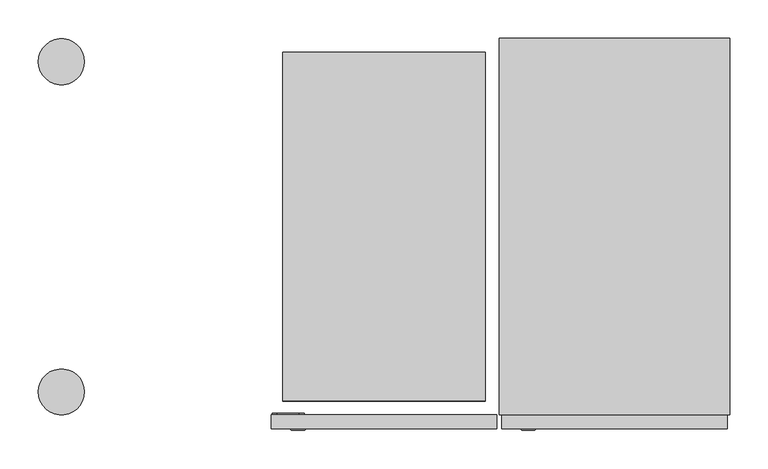
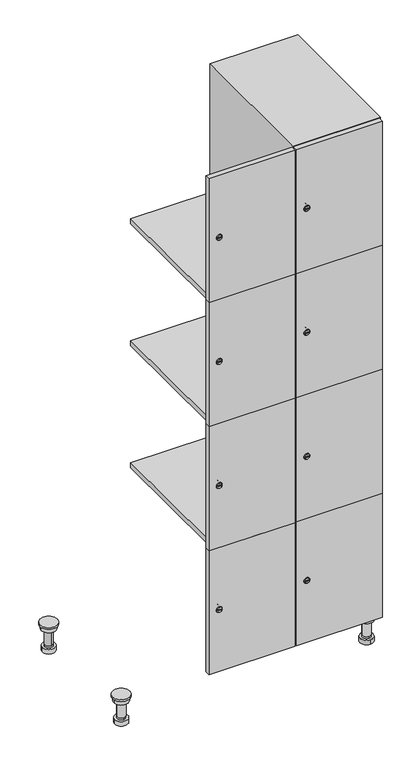
"""IFC4 building model written with IfcOpenShell, lengths in millimetres: furniture geometry."""

from ifc_helpers import new_model, si_unit, point, frame, frame_2d, origin, place, context, project, spatial, polyline, circle_curve, trimmed, segment, composite_curve, outline, extrude, faceted_brep, source, transform, mapped, element, save
from ifc_brep_helpers import plane_surface, cylinder_surface, revolved_surface, advanced_brep


def furniture_ed29f82f(model_context):
    return source(origin(), model_context, "Body", "SolidModel", [
        advanced_brep(
        [(670.0, -201.0, 22.0), (670.0, -201.5, 16.0), (670.0, -228.5, 16.0), (670.0, -229.0, 22.0), (656.0, -215.0, 22.0), (684.0, -215.0, 22.0), (670.0, -192.5, 16.0), (670.0, -237.5, 16.0), (670.0, -192.5, 0.0), (670.0, -237.5, 0.0), (684.0, -215.0, 78.0), (656.0, -215.0, 78.0), (695.0, -215.0, 78.0), (645.0, -215.0, 78.0), (700.0, -215.0, 94.0), (640.0, -215.0, 94.0), (645.0, -215.0, 94.0), (695.0, -215.0, 94.0), (700.0, -215.0, 100.0), (640.0, -215.0, 100.0)],
        [
            (0, 1),
            (1, 2, circle_curve(frame((670.0, -215.0, 16.0), z_axis=(0.0, 0.0, 1.0), x_axis=(0.0, -1.0, 0.0)), 13.5)),
            (2, 3),
            (3, 4, circle_curve(frame((670.0, -215.0, 22.0), z_axis=(0.0, 0.0, -1.0), x_axis=(0.0, -1.0, 0.0)), 14.0)),
            (4, 0, circle_curve(frame((670.0, -215.0, 22.0), z_axis=(0.0, 0.0, -1.0), x_axis=(0.0, -1.0, 0.0)), 14.0)),
            (0, 5, circle_curve(frame((670.0, -215.0, 22.0), z_axis=(0.0, 0.0, -1.0), x_axis=(0.0, 1.0, 0.0)), 14.0)),
            (5, 3, circle_curve(frame((670.0, -215.0, 22.0), z_axis=(0.0, 0.0, -1.0), x_axis=(0.0, 1.0, 0.0)), 14.0)),
            (2, 1, circle_curve(frame((670.0, -215.0, 16.0), z_axis=(0.0, 0.0, 1.0), x_axis=(0.0, 1.0, 0.0)), 13.5)),
            (6, 7, circle_curve(frame((670.0, -215.0, 16.0), z_axis=(0.0, 0.0, 1.0), x_axis=(0.0, -1.0, 0.0)), 22.5)),
            (7, 6, circle_curve(frame((670.0, -215.0, 16.0), z_axis=(0.0, 0.0, 1.0), x_axis=(0.0, -1.0, 0.0)), 22.5)),
            (8, 9, circle_curve(frame((670.0, -215.0, 0.0), z_axis=(0.0, 0.0, -1.0), x_axis=(0.0, -1.0, 0.0)), 22.5)),
            (9, 8, circle_curve(frame((670.0, -215.0, 0.0), z_axis=(0.0, 0.0, -1.0), x_axis=(0.0, -1.0, 0.0)), 22.5)),
            (6, 8),
            (9, 7),
            (5, 10),
            (10, 11, circle_curve(frame((670.0, -215.0, 78.0), z_axis=(0.0, 0.0, -1.0), x_axis=(-1.0, 0.0, 0.0)), 14.0)),
            (11, 4),
            (11, 10, circle_curve(frame((670.0, -215.0, 78.0), z_axis=(0.0, 0.0, -1.0), x_axis=(-1.0, 0.0, 0.0)), 14.0)),
            (12, 13, circle_curve(frame((670.0, -215.0, 78.0), z_axis=(0.0, 0.0, -1.0), x_axis=(-1.0, 0.0, 0.0)), 25.0)),
            (13, 12, circle_curve(frame((670.0, -215.0, 78.0), z_axis=(0.0, 0.0, -1.0), x_axis=(-1.0, 0.0, 0.0)), 25.0)),
            (14, 15, circle_curve(frame((670.0, -215.0, 94.0), z_axis=(0.0, 0.0, -1.0), x_axis=(-1.0, 0.0, 0.0)), 30.0)),
            (15, 14, circle_curve(frame((670.0, -215.0, 94.0), z_axis=(0.0, 0.0, -1.0), x_axis=(-1.0, 0.0, 0.0)), 30.0)),
            (16, 17, circle_curve(frame((670.0, -215.0, 94.0), z_axis=(0.0, 0.0, 1.0), x_axis=(-1.0, 0.0, 0.0)), 25.0)),
            (17, 16, circle_curve(frame((670.0, -215.0, 94.0), z_axis=(0.0, 0.0, 1.0), x_axis=(-1.0, 0.0, 0.0)), 25.0)),
            (18, 19, circle_curve(frame((670.0, -215.0, 100.0), z_axis=(0.0, 0.0, 1.0), x_axis=(-1.0, 0.0, 0.0)), 30.0)),
            (19, 18, circle_curve(frame((670.0, -215.0, 100.0), z_axis=(0.0, 0.0, 1.0), x_axis=(-1.0, 0.0, 0.0)), 30.0)),
            (14, 18),
            (19, 15),
            (12, 17),
            (16, 13),
        ],
        [
            revolved_surface(polyline([(670.0, -201.5, 16.0), (670.0, -201.0, 22.0)]), (670.0, -215.0, -146.0), (0.0, 0.0, 1.0)),
            plane_surface(frame((670.0, 0.0, 16.0), z_axis=(0.0, 0.0, 1.0), x_axis=(0.0, -1.0, 0.0))),
            plane_surface(frame((670.0, 0.0, 0.0), z_axis=(0.0, 0.0, -1.0), x_axis=(0.0, -1.0, 0.0))),
            cylinder_surface(frame((670.0, -215.0, 16.0), z_axis=(0.0, 0.0, 1.0), x_axis=(0.0, -1.0, 0.0)), 22.5),
            cylinder_surface(frame((670.0, -215.0, 22.0), z_axis=(0.0, 0.0, -1.0), x_axis=(-1.0, 0.0, 0.0)), 14.0),
            plane_surface(frame((670.0, 0.0, 78.0), z_axis=(0.0, 0.0, -1.0), x_axis=(0.0, -1.0, 0.0))),
            plane_surface(frame((670.0, 0.0, 94.0), z_axis=(0.0, 0.0, -1.0), x_axis=(0.0, -1.0, 0.0))),
            plane_surface(frame((670.0, 0.0, 100.0), z_axis=(0.0, 0.0, 1.0), x_axis=(0.0, -1.0, 0.0))),
            cylinder_surface(frame((670.0, -215.0, 94.0), z_axis=(0.0, 0.0, -1.0), x_axis=(-1.0, 0.0, 0.0)), 30.0),
            cylinder_surface(frame((670.0, -215.0, 78.0), z_axis=(0.0, 0.0, -1.0), x_axis=(-1.0, 0.0, 0.0)), 25.0),
        ],
        [
            (0, [[1, 2, 3, 4, 5]]),
            (0, [[-1, 6, 7, -3, 8]]),
            (1, [[9, 10], [-2, -8]]),
            (2, [[11, 12]]),
            (3, [[-9, 13, -12, 14]]),
            (3, [[-10, -14, -11, -13]]),
            (4, [[15, 16, 17, -4, -7]]),
            (4, [[-15, -6, -5, -17, 18]]),
            (5, [[19, 20], [-16, -18]]),
            (6, [[21, 22], [23, 24]]),
            (7, [[25, 26]]),
            (8, [[-21, 27, -26, 28]]),
            (8, [[-22, -28, -25, -27]]),
            (9, [[-19, 29, -23, 30]]),
            (9, [[-20, -30, -24, -29]]),
        ],
    ),
        advanced_brep(
        [(-170.0, -201.0, 22.0), (-170.0, -201.5, 16.0), (-170.0, -228.5, 16.0), (-170.0, -229.0, 22.0), (-184.0, -215.0, 22.0), (-156.0, -215.0, 22.0), (-147.5, -215.0, 0.0), (-192.5, -215.0, 0.0), (-147.5, -215.0, 16.0), (-192.5, -215.0, 16.0), (-156.0, -215.0, 78.0), (-184.0, -215.0, 78.0), (-145.0, -215.0, 78.0), (-195.0, -215.0, 78.0), (-140.0, -215.0, 94.0), (-200.0, -215.0, 94.0), (-195.0, -215.0, 94.0), (-145.0, -215.0, 94.0), (-140.0, -215.0, 100.0), (-200.0, -215.0, 100.0)],
        [
            (0, 1),
            (1, 2, circle_curve(frame((-170.0, -215.0, 16.0), z_axis=(0.0, 0.0, 1.0), x_axis=(0.0, -1.0, 0.0)), 13.5)),
            (2, 3),
            (3, 4, circle_curve(frame((-170.0, -215.0, 22.0), z_axis=(0.0, 0.0, -1.0), x_axis=(0.0, -1.0, 0.0)), 14.0)),
            (4, 0, circle_curve(frame((-170.0, -215.0, 22.0), z_axis=(0.0, 0.0, -1.0), x_axis=(0.0, -1.0, 0.0)), 14.0)),
            (0, 5, circle_curve(frame((-170.0, -215.0, 22.0), z_axis=(0.0, 0.0, -1.0), x_axis=(0.0, 1.0, 0.0)), 14.0)),
            (5, 3, circle_curve(frame((-170.0, -215.0, 22.0), z_axis=(0.0, 0.0, -1.0), x_axis=(0.0, 1.0, 0.0)), 14.0)),
            (2, 1, circle_curve(frame((-170.0, -215.0, 16.0), z_axis=(0.0, 0.0, 1.0), x_axis=(0.0, 1.0, 0.0)), 13.5)),
            (6, 7, circle_curve(frame((-170.0, -215.0, 0.0), z_axis=(0.0, 0.0, -1.0), x_axis=(-1.0, 0.0, 0.0)), 22.5)),
            (7, 6, circle_curve(frame((-170.0, -215.0, 0.0), z_axis=(0.0, 0.0, -1.0), x_axis=(-1.0, 0.0, 0.0)), 22.5)),
            (8, 9, circle_curve(frame((-170.0, -215.0, 16.0), z_axis=(0.0, 0.0, 1.0), x_axis=(-1.0, 0.0, 0.0)), 22.5)),
            (9, 8, circle_curve(frame((-170.0, -215.0, 16.0), z_axis=(0.0, 0.0, 1.0), x_axis=(-1.0, 0.0, 0.0)), 22.5)),
            (6, 8),
            (9, 7),
            (5, 10),
            (10, 11, circle_curve(frame((-170.0, -215.0, 78.0), z_axis=(0.0, 0.0, -1.0), x_axis=(-1.0, 0.0, 0.0)), 14.0)),
            (11, 4),
            (11, 10, circle_curve(frame((-170.0, -215.0, 78.0), z_axis=(0.0, 0.0, -1.0), x_axis=(-1.0, 0.0, 0.0)), 14.0)),
            (12, 13, circle_curve(frame((-170.0, -215.0, 78.0), z_axis=(0.0, 0.0, -1.0), x_axis=(-1.0, 0.0, 0.0)), 25.0)),
            (13, 12, circle_curve(frame((-170.0, -215.0, 78.0), z_axis=(0.0, 0.0, -1.0), x_axis=(-1.0, 0.0, 0.0)), 25.0)),
            (14, 15, circle_curve(frame((-170.0, -215.0, 94.0), z_axis=(0.0, 0.0, -1.0), x_axis=(-1.0, 0.0, 0.0)), 30.0)),
            (15, 14, circle_curve(frame((-170.0, -215.0, 94.0), z_axis=(0.0, 0.0, -1.0), x_axis=(-1.0, 0.0, 0.0)), 30.0)),
            (16, 17, circle_curve(frame((-170.0, -215.0, 94.0), z_axis=(0.0, 0.0, 1.0), x_axis=(-1.0, 0.0, 0.0)), 25.0)),
            (17, 16, circle_curve(frame((-170.0, -215.0, 94.0), z_axis=(0.0, 0.0, 1.0), x_axis=(-1.0, 0.0, 0.0)), 25.0)),
            (18, 19, circle_curve(frame((-170.0, -215.0, 100.0), z_axis=(0.0, 0.0, 1.0), x_axis=(-1.0, 0.0, 0.0)), 30.0)),
            (19, 18, circle_curve(frame((-170.0, -215.0, 100.0), z_axis=(0.0, 0.0, 1.0), x_axis=(-1.0, 0.0, 0.0)), 30.0)),
            (14, 18),
            (19, 15),
            (12, 17),
            (16, 13),
        ],
        [
            revolved_surface(polyline([(-170.0, -201.5, 16.0), (-170.0, -201.0, 22.0)]), (-170.0, -215.0, -146.0), (0.0, 0.0, 1.0)),
            plane_surface(frame((-170.0, 0.0, 0.0), z_axis=(0.0, 0.0, -1.0), x_axis=(0.0, -1.0, 0.0))),
            plane_surface(frame((-170.0, 0.0, 16.0), z_axis=(0.0, 0.0, 1.0), x_axis=(0.0, -1.0, 0.0))),
            cylinder_surface(frame((-170.0, -215.0, 0.0), z_axis=(0.0, 0.0, -1.0), x_axis=(-1.0, 0.0, 0.0)), 22.5),
            cylinder_surface(frame((-170.0, -215.0, 22.0), z_axis=(0.0, 0.0, -1.0), x_axis=(-1.0, 0.0, 0.0)), 14.0),
            plane_surface(frame((-170.0, 0.0, 78.0), z_axis=(0.0, 0.0, -1.0), x_axis=(0.0, -1.0, 0.0))),
            plane_surface(frame((-170.0, 0.0, 94.0), z_axis=(0.0, 0.0, -1.0), x_axis=(0.0, -1.0, 0.0))),
            plane_surface(frame((-170.0, 0.0, 100.0), z_axis=(0.0, 0.0, 1.0), x_axis=(0.0, -1.0, 0.0))),
            cylinder_surface(frame((-170.0, -215.0, 94.0), z_axis=(0.0, 0.0, -1.0), x_axis=(-1.0, 0.0, 0.0)), 30.0),
            cylinder_surface(frame((-170.0, -215.0, 78.0), z_axis=(0.0, 0.0, -1.0), x_axis=(-1.0, 0.0, 0.0)), 25.0),
        ],
        [
            (0, [[1, 2, 3, 4, 5]]),
            (0, [[-1, 6, 7, -3, 8]]),
            (1, [[9, 10]]),
            (2, [[11, 12], [-2, -8]]),
            (3, [[-9, 13, -12, 14]]),
            (3, [[-10, -14, -11, -13]]),
            (4, [[15, 16, 17, -4, -7]]),
            (4, [[-15, -6, -5, -17, 18]]),
            (5, [[19, 20], [-16, -18]]),
            (6, [[21, 22], [23, 24]]),
            (7, [[25, 26]]),
            (8, [[-21, 27, -26, 28]]),
            (8, [[-22, -28, -25, -27]]),
            (9, [[-19, 29, -23, 30]]),
            (9, [[-20, -30, -24, -29]]),
        ],
    ),
        advanced_brep(
        [(683.5, 215.0, 16.0), (684.0, 215.0, 22.0), (656.0, 215.0, 22.0), (656.5, 215.0, 16.0), (692.5, 215.0, 0.0), (647.5, 215.0, 0.0), (692.5, 215.0, 16.0), (647.5, 215.0, 16.0), (684.0, 215.0, 78.0), (656.0, 215.0, 78.0), (695.0, 215.0, 78.0), (645.0, 215.0, 78.0), (700.0, 215.0, 94.0), (640.0, 215.0, 94.0), (645.0, 215.0, 94.0), (695.0, 215.0, 94.0), (700.0, 215.0, 100.0), (640.0, 215.0, 100.0)],
        [
            (0, 1),
            (1, 2, circle_curve(frame((670.0, 215.0, 22.0), z_axis=(0.0, 0.0, -1.0), x_axis=(-1.0, 0.0, 0.0)), 14.0)),
            (2, 3),
            (3, 0, circle_curve(frame((670.0, 215.0, 16.0), z_axis=(0.0, 0.0, 1.0), x_axis=(-1.0, 0.0, 0.0)), 13.5)),
            (0, 3, circle_curve(frame((670.0, 215.0, 16.0), z_axis=(0.0, 0.0, 1.0), x_axis=(1.0, 0.0, 0.0)), 13.5)),
            (2, 1, circle_curve(frame((670.0, 215.0, 22.0), z_axis=(0.0, 0.0, -1.0), x_axis=(1.0, 0.0, 0.0)), 14.0)),
            (4, 5, circle_curve(frame((670.0, 215.0, 0.0), z_axis=(0.0, 0.0, -1.0), x_axis=(-1.0, 0.0, 0.0)), 22.5)),
            (5, 4, circle_curve(frame((670.0, 215.0, 0.0), z_axis=(0.0, 0.0, -1.0), x_axis=(-1.0, 0.0, 0.0)), 22.5)),
            (6, 7, circle_curve(frame((670.0, 215.0, 16.0), z_axis=(0.0, 0.0, 1.0), x_axis=(-1.0, 0.0, 0.0)), 22.5)),
            (7, 6, circle_curve(frame((670.0, 215.0, 16.0), z_axis=(0.0, 0.0, 1.0), x_axis=(-1.0, 0.0, 0.0)), 22.5)),
            (4, 6),
            (7, 5),
            (1, 8),
            (8, 9, circle_curve(frame((670.0, 215.0, 78.0), z_axis=(0.0, 0.0, -1.0), x_axis=(-1.0, 0.0, 0.0)), 14.0)),
            (9, 2),
            (9, 8, circle_curve(frame((670.0, 215.0, 78.0), z_axis=(0.0, 0.0, -1.0), x_axis=(-1.0, 0.0, 0.0)), 14.0)),
            (10, 11, circle_curve(frame((670.0, 215.0, 78.0), z_axis=(0.0, 0.0, -1.0), x_axis=(-1.0, 0.0, 0.0)), 25.0)),
            (11, 10, circle_curve(frame((670.0, 215.0, 78.0), z_axis=(0.0, 0.0, -1.0), x_axis=(-1.0, 0.0, 0.0)), 25.0)),
            (12, 13, circle_curve(frame((670.0, 215.0, 94.0), z_axis=(0.0, 0.0, -1.0), x_axis=(-1.0, 0.0, 0.0)), 30.0)),
            (13, 12, circle_curve(frame((670.0, 215.0, 94.0), z_axis=(0.0, 0.0, -1.0), x_axis=(-1.0, 0.0, 0.0)), 30.0)),
            (14, 15, circle_curve(frame((670.0, 215.0, 94.0), z_axis=(0.0, 0.0, 1.0), x_axis=(-1.0, 0.0, 0.0)), 25.0)),
            (15, 14, circle_curve(frame((670.0, 215.0, 94.0), z_axis=(0.0, 0.0, 1.0), x_axis=(-1.0, 0.0, 0.0)), 25.0)),
            (16, 17, circle_curve(frame((670.0, 215.0, 100.0), z_axis=(0.0, 0.0, 1.0), x_axis=(-1.0, 0.0, 0.0)), 30.0)),
            (17, 16, circle_curve(frame((670.0, 215.0, 100.0), z_axis=(0.0, 0.0, 1.0), x_axis=(-1.0, 0.0, 0.0)), 30.0)),
            (12, 16),
            (17, 13),
            (10, 15),
            (14, 11),
        ],
        [
            revolved_surface(polyline([(683.5, 215.0, 16.0), (684.0, 215.0, 22.0)]), (670.0, 215.0, -146.0), (0.0, 0.0, 1.0)),
            plane_surface(frame((670.0, 0.0, 0.0), z_axis=(0.0, 0.0, -1.0), x_axis=(0.0, -1.0, 0.0))),
            plane_surface(frame((670.0, 0.0, 16.0), z_axis=(0.0, 0.0, 1.0), x_axis=(0.0, -1.0, 0.0))),
            cylinder_surface(frame((670.0, 215.0, 0.0), z_axis=(0.0, 0.0, -1.0), x_axis=(-1.0, 0.0, 0.0)), 22.5),
            cylinder_surface(frame((670.0, 215.0, 22.0), z_axis=(0.0, 0.0, -1.0), x_axis=(-1.0, 0.0, 0.0)), 14.0),
            plane_surface(frame((670.0, 0.0, 78.0), z_axis=(0.0, 0.0, -1.0), x_axis=(0.0, -1.0, 0.0))),
            plane_surface(frame((670.0, 0.0, 94.0), z_axis=(0.0, 0.0, -1.0), x_axis=(0.0, -1.0, 0.0))),
            plane_surface(frame((670.0, 0.0, 100.0), z_axis=(0.0, 0.0, 1.0), x_axis=(0.0, -1.0, 0.0))),
            cylinder_surface(frame((670.0, 215.0, 94.0), z_axis=(0.0, 0.0, -1.0), x_axis=(-1.0, 0.0, 0.0)), 30.0),
            cylinder_surface(frame((670.0, 215.0, 78.0), z_axis=(0.0, 0.0, -1.0), x_axis=(-1.0, 0.0, 0.0)), 25.0),
        ],
        [
            (0, [[1, 2, 3, 4]]),
            (0, [[-1, 5, -3, 6]]),
            (1, [[7, 8]]),
            (2, [[9, 10], [-4, -5]]),
            (3, [[-7, 11, -10, 12]]),
            (3, [[-8, -12, -9, -11]]),
            (4, [[13, 14, 15, -2]]),
            (4, [[-13, -6, -15, 16]]),
            (5, [[17, 18], [-14, -16]]),
            (6, [[19, 20], [21, 22]]),
            (7, [[23, 24]]),
            (8, [[-19, 25, -24, 26]]),
            (8, [[-20, -26, -23, -25]]),
            (9, [[-17, 27, -21, 28]]),
            (9, [[-18, -28, -22, -27]]),
        ],
    ),
        advanced_brep(
        [(-156.5, 215.0, 16.0), (-156.0, 215.0, 22.0), (-170.0, 201.0, 22.0), (-184.0, 215.0, 22.0), (-183.5, 215.0, 16.0), (-170.0, 229.0, 22.0), (-147.5, 215.0, 0.0), (-192.5, 215.0, 0.0), (-147.5, 215.0, 16.0), (-192.5, 215.0, 16.0), (-170.0, 229.0, 78.0), (-170.0, 201.0, 78.0), (-145.0, 215.0, 78.0), (-195.0, 215.0, 78.0), (-140.0, 215.0, 94.0), (-200.0, 215.0, 94.0), (-195.0, 215.0, 94.0), (-145.0, 215.0, 94.0), (-140.0, 215.0, 100.0), (-200.0, 215.0, 100.0)],
        [
            (0, 1),
            (1, 2, circle_curve(frame((-170.0, 215.0, 22.0), z_axis=(0.0, 0.0, -1.0), x_axis=(-1.0, 0.0, 0.0)), 14.0)),
            (2, 3, circle_curve(frame((-170.0, 215.0, 22.0), z_axis=(0.0, 0.0, -1.0), x_axis=(-1.0, 0.0, 0.0)), 14.0)),
            (3, 4),
            (4, 0, circle_curve(frame((-170.0, 215.0, 16.0), z_axis=(0.0, 0.0, 1.0), x_axis=(-1.0, 0.0, 0.0)), 13.5)),
            (0, 4, circle_curve(frame((-170.0, 215.0, 16.0), z_axis=(0.0, 0.0, 1.0), x_axis=(1.0, 0.0, 0.0)), 13.5)),
            (3, 5, circle_curve(frame((-170.0, 215.0, 22.0), z_axis=(0.0, 0.0, -1.0), x_axis=(1.0, 0.0, 0.0)), 14.0)),
            (5, 1, circle_curve(frame((-170.0, 215.0, 22.0), z_axis=(0.0, 0.0, -1.0), x_axis=(1.0, 0.0, 0.0)), 14.0)),
            (6, 7, circle_curve(frame((-170.0, 215.0, 0.0), z_axis=(0.0, 0.0, -1.0), x_axis=(-1.0, 0.0, 0.0)), 22.5)),
            (7, 6, circle_curve(frame((-170.0, 215.0, 0.0), z_axis=(0.0, 0.0, -1.0), x_axis=(-1.0, 0.0, 0.0)), 22.5)),
            (8, 9, circle_curve(frame((-170.0, 215.0, 16.0), z_axis=(0.0, 0.0, 1.0), x_axis=(-1.0, 0.0, 0.0)), 22.5)),
            (9, 8, circle_curve(frame((-170.0, 215.0, 16.0), z_axis=(0.0, 0.0, 1.0), x_axis=(-1.0, 0.0, 0.0)), 22.5)),
            (6, 8),
            (9, 7),
            (10, 5),
            (2, 11),
            (11, 10, circle_curve(frame((-170.0, 215.0, 78.0), z_axis=(0.0, 0.0, -1.0), x_axis=(0.0, -1.0, 0.0)), 14.0)),
            (10, 11, circle_curve(frame((-170.0, 215.0, 78.0), z_axis=(0.0, 0.0, -1.0), x_axis=(0.0, -1.0, 0.0)), 14.0)),
            (12, 13, circle_curve(frame((-170.0, 215.0, 78.0), z_axis=(0.0, 0.0, -1.0), x_axis=(-1.0, 0.0, 0.0)), 25.0)),
            (13, 12, circle_curve(frame((-170.0, 215.0, 78.0), z_axis=(0.0, 0.0, -1.0), x_axis=(-1.0, 0.0, 0.0)), 25.0)),
            (14, 15, circle_curve(frame((-170.0, 215.0, 94.0), z_axis=(0.0, 0.0, -1.0), x_axis=(-1.0, 0.0, 0.0)), 30.0)),
            (15, 14, circle_curve(frame((-170.0, 215.0, 94.0), z_axis=(0.0, 0.0, -1.0), x_axis=(-1.0, 0.0, 0.0)), 30.0)),
            (16, 17, circle_curve(frame((-170.0, 215.0, 94.0), z_axis=(0.0, 0.0, 1.0), x_axis=(-1.0, 0.0, 0.0)), 25.0)),
            (17, 16, circle_curve(frame((-170.0, 215.0, 94.0), z_axis=(0.0, 0.0, 1.0), x_axis=(-1.0, 0.0, 0.0)), 25.0)),
            (18, 19, circle_curve(frame((-170.0, 215.0, 100.0), z_axis=(0.0, 0.0, 1.0), x_axis=(-1.0, 0.0, 0.0)), 30.0)),
            (19, 18, circle_curve(frame((-170.0, 215.0, 100.0), z_axis=(0.0, 0.0, 1.0), x_axis=(-1.0, 0.0, 0.0)), 30.0)),
            (14, 18),
            (19, 15),
            (12, 17),
            (16, 13),
        ],
        [
            revolved_surface(polyline([(-156.5, 215.0, 16.0), (-156.0, 215.0, 22.0)]), (-170.0, 215.0, -146.0), (0.0, 0.0, 1.0)),
            plane_surface(frame((-170.0, 0.0, 0.0), z_axis=(0.0, 0.0, -1.0), x_axis=(0.0, -1.0, 0.0))),
            plane_surface(frame((-170.0, 0.0, 16.0), z_axis=(0.0, 0.0, 1.0), x_axis=(0.0, -1.0, 0.0))),
            cylinder_surface(frame((-170.0, 215.0, 0.0), z_axis=(0.0, 0.0, -1.0), x_axis=(-1.0, 0.0, 0.0)), 22.5),
            cylinder_surface(frame((-170.0, 215.0, 78.0), z_axis=(0.0, 0.0, 1.0), x_axis=(0.0, -1.0, 0.0)), 14.0),
            plane_surface(frame((-170.0, 0.0, 78.0), z_axis=(0.0, 0.0, -1.0), x_axis=(0.0, -1.0, 0.0))),
            plane_surface(frame((-170.0, 0.0, 94.0), z_axis=(0.0, 0.0, -1.0), x_axis=(0.0, -1.0, 0.0))),
            plane_surface(frame((-170.0, 0.0, 100.0), z_axis=(0.0, 0.0, 1.0), x_axis=(0.0, -1.0, 0.0))),
            cylinder_surface(frame((-170.0, 215.0, 94.0), z_axis=(0.0, 0.0, -1.0), x_axis=(-1.0, 0.0, 0.0)), 30.0),
            cylinder_surface(frame((-170.0, 215.0, 78.0), z_axis=(0.0, 0.0, -1.0), x_axis=(-1.0, 0.0, 0.0)), 25.0),
        ],
        [
            (0, [[1, 2, 3, 4, 5]]),
            (0, [[-1, 6, -4, 7, 8]]),
            (1, [[9, 10]]),
            (2, [[11, 12], [-5, -6]]),
            (3, [[-9, 13, -12, 14]]),
            (3, [[-10, -14, -11, -13]]),
            (4, [[15, -7, -3, 16, 17]]),
            (4, [[-15, 18, -16, -2, -8]]),
            (5, [[19, 20], [-17, -18]]),
            (6, [[21, 22], [23, 24]]),
            (7, [[25, 26]]),
            (8, [[-21, 27, -26, 28]]),
            (8, [[-22, -28, -25, -27]]),
            (9, [[-19, 29, -23, 30]]),
            (9, [[-20, -30, -24, -29]]),
        ],
    ),
        extrude(outline(composite_curve([segment(trimmed(circle_curve(frame_2d((327.25, 411.2010534)), 7.0), [point((334.25, 411.2010534))], [point((320.25, 411.2010534))], False, "CARTESIAN"), True, "CONTINUOUS"), segment(polyline([(320.25, 411.2010534), (320.25, 439.2010534)]), True, "CONTINUOUS"), segment(trimmed(circle_curve(frame_2d((327.25, 439.2010534)), 7.0), [point((320.25, 439.2010534))], [point((334.25, 439.2010534))], False, "CARTESIAN"), True, "CONTINUOUS"), segment(polyline([(334.25, 439.2010534), (334.25, 411.2010534)]), True, "CONTINUOUS")], self_intersect=False)), frame((0.0, -245.0, 0.0), z_axis=(0.0, 1.0, 0.0), x_axis=(0.0, 0.0, 1.0)), (0.0, 0.0, 1.0), 2.0),
        advanced_brep(
        [(446.5, -265.2, 327.25), (429.5, -265.2, 327.25), (433.0, -265.2, 326.0), (433.0, -265.2, 328.5), (443.0, -265.2, 328.5), (443.0, -265.2, 326.0), (448.5, -263.0, 327.25), (427.5, -263.0, 327.25), (433.0, -263.0, 328.5), (433.0, -263.0, 326.0), (443.0, -263.0, 326.0), (443.0, -263.0, 328.5)],
        [
            (0, 1, circle_curve(frame((438.0, -265.2, 327.25), z_axis=(0.0, -1.0, 0.0), x_axis=(1.0, 0.0, 0.0)), 8.5)),
            (1, 0, circle_curve(frame((438.0, -265.2, 327.25), z_axis=(0.0, -1.0, 0.0), x_axis=(-1.0, 0.0, 0.0)), 8.5)),
            (2, 3),
            (3, 4),
            (4, 5),
            (5, 2),
            (6, 7, circle_curve(frame((438.0, -263.0, 327.25), z_axis=(0.0, 1.0, 0.0), x_axis=(-1.0, 0.0, 0.0)), 10.5)),
            (7, 6, circle_curve(frame((438.0, -263.0, 327.25), z_axis=(0.0, 1.0, 0.0), x_axis=(1.0, 0.0, 0.0)), 10.5)),
            (8, 9),
            (9, 10),
            (10, 11),
            (11, 8),
            (0, 6),
            (7, 1),
            (8, 3),
            (2, 9),
            (11, 4),
            (10, 5),
        ],
        [
            plane_surface(frame((438.0, -265.2, 327.25), z_axis=(0.0, -1.0, 0.0), x_axis=(0.0, 0.0, 1.0))),
            plane_surface(frame((438.0, -263.0, 327.25), z_axis=(0.0, 1.0, 0.0), x_axis=(0.0, 0.0, 1.0))),
            revolved_surface(polyline([(446.5, -265.2, 327.25), (448.5, -263.0, 327.25)]), (438.0, -274.55, 327.25), (0.0, 1.0, 0.0)),
            revolved_surface(polyline([(429.5, -265.2, 327.25), (427.5, -263.0, 327.25)]), (438.0, -274.55, 327.25), (0.0, 1.0, 0.0)),
            plane_surface(frame((433.0, -263.0, 326.0), z_axis=(1.0, 0.0, 0.0), x_axis=(0.0, -1.0, 0.0))),
            plane_surface(frame((433.0, -263.0, 328.5), z_axis=(0.0, 0.0, -1.0), x_axis=(0.0, -1.0, 0.0))),
            plane_surface(frame((443.0, -263.0, 328.5), z_axis=(-1.0, 0.0, 0.0), x_axis=(0.0, -1.0, 0.0))),
            plane_surface(frame((443.0, -263.0, 326.0), z_axis=(0.0, 0.0, 1.0), x_axis=(0.0, -1.0, 0.0))),
        ],
        [
            (0, [[1, 2], [3, 4, 5, 6]]),
            (1, [[7, 8], [9, 10, 11, 12]]),
            (2, [[-1, 13, -8, 14]]),
            (3, [[-2, -14, -7, -13]]),
            (4, [[15, -3, 16, -9]]),
            (5, [[-15, -12, 17, -4]]),
            (6, [[-17, -11, 18, -5]]),
            (7, [[-16, -6, -18, -10]]),
        ],
    ),
        extrude(outline(composite_curve([segment(trimmed(circle_curve(frame_2d((775.75, 411.2010534)), 7.0), [point((782.75, 411.2010534))], [point((768.75, 411.2010534))], False, "CARTESIAN"), True, "CONTINUOUS"), segment(polyline([(768.75, 411.2010534), (768.75, 439.2010534)]), True, "CONTINUOUS"), segment(trimmed(circle_curve(frame_2d((775.75, 439.2010534)), 7.0), [point((768.75, 439.2010534))], [point((782.75, 439.2010534))], False, "CARTESIAN"), True, "CONTINUOUS"), segment(polyline([(782.75, 439.2010534), (782.75, 411.2010534)]), True, "CONTINUOUS")], self_intersect=False)), frame((0.0, -245.0, 0.0), z_axis=(0.0, 1.0, 0.0), x_axis=(0.0, 0.0, 1.0)), (0.0, 0.0, 1.0), 2.0),
        advanced_brep(
        [(446.5, -265.2, 775.75), (429.5, -265.2, 775.75), (433.0, -265.2, 774.5), (433.0, -265.2, 777.0), (443.0, -265.2, 777.0), (443.0, -265.2, 774.5), (448.5, -263.0, 775.75), (427.5, -263.0, 775.75), (433.0, -263.0, 777.0), (433.0, -263.0, 774.5), (443.0, -263.0, 774.5), (443.0, -263.0, 777.0)],
        [
            (0, 1, circle_curve(frame((438.0, -265.2, 775.75), z_axis=(0.0, -1.0, 0.0), x_axis=(1.0, 0.0, 0.0)), 8.5)),
            (1, 0, circle_curve(frame((438.0, -265.2, 775.75), z_axis=(0.0, -1.0, 0.0), x_axis=(-1.0, 0.0, 0.0)), 8.5)),
            (2, 3),
            (3, 4),
            (4, 5),
            (5, 2),
            (6, 7, circle_curve(frame((438.0, -263.0, 775.75), z_axis=(0.0, 1.0, 0.0), x_axis=(-1.0, 0.0, 0.0)), 10.5)),
            (7, 6, circle_curve(frame((438.0, -263.0, 775.75), z_axis=(0.0, 1.0, 0.0), x_axis=(1.0, 0.0, 0.0)), 10.5)),
            (8, 9),
            (9, 10),
            (10, 11),
            (11, 8),
            (0, 6),
            (7, 1),
            (8, 3),
            (2, 9),
            (11, 4),
            (10, 5),
        ],
        [
            plane_surface(frame((438.0, -265.2, 775.75), z_axis=(0.0, -1.0, 0.0), x_axis=(0.0, 0.0, 1.0))),
            plane_surface(frame((438.0, -263.0, 775.75), z_axis=(0.0, 1.0, 0.0), x_axis=(0.0, 0.0, 1.0))),
            revolved_surface(polyline([(446.5, -265.2, 775.75), (448.5, -263.0, 775.75)]), (438.0, -274.55, 775.75), (0.0, 1.0, 0.0)),
            revolved_surface(polyline([(429.5, -265.2, 775.75), (427.5, -263.0, 775.75)]), (438.0, -274.55, 775.75), (0.0, 1.0, 0.0)),
            plane_surface(frame((433.0, -263.0, 774.5), z_axis=(1.0, 0.0, 0.0), x_axis=(0.0, -1.0, 0.0))),
            plane_surface(frame((433.0, -263.0, 777.0), z_axis=(0.0, 0.0, -1.0), x_axis=(0.0, -1.0, 0.0))),
            plane_surface(frame((443.0, -263.0, 777.0), z_axis=(-1.0, 0.0, 0.0), x_axis=(0.0, -1.0, 0.0))),
            plane_surface(frame((443.0, -263.0, 774.5), z_axis=(0.0, 0.0, 1.0), x_axis=(0.0, -1.0, 0.0))),
        ],
        [
            (0, [[1, 2], [3, 4, 5, 6]]),
            (1, [[7, 8], [9, 10, 11, 12]]),
            (2, [[-1, 13, -8, 14]]),
            (3, [[-2, -14, -7, -13]]),
            (4, [[15, -3, 16, -9]]),
            (5, [[-15, -12, 17, -4]]),
            (6, [[-17, -11, 18, -5]]),
            (7, [[-16, -6, -18, -10]]),
        ],
    ),
        extrude(outline(composite_curve([segment(trimmed(circle_curve(frame_2d((1224.25, 411.2010534)), 7.0), [point((1231.25, 411.2010534))], [point((1217.25, 411.2010534))], False, "CARTESIAN"), True, "CONTINUOUS"), segment(polyline([(1217.25, 411.2010534), (1217.25, 439.2010534)]), True, "CONTINUOUS"), segment(trimmed(circle_curve(frame_2d((1224.25, 439.2010534)), 7.0), [point((1217.25, 439.2010534))], [point((1231.25, 439.2010534))], False, "CARTESIAN"), True, "CONTINUOUS"), segment(polyline([(1231.25, 439.2010534), (1231.25, 411.2010534)]), True, "CONTINUOUS")], self_intersect=False)), frame((0.0, -245.0, 0.0), z_axis=(0.0, 1.0, 0.0), x_axis=(0.0, 0.0, 1.0)), (0.0, 0.0, 1.0), 2.0),
        advanced_brep(
        [(446.5, -265.2, 1224.25), (429.5, -265.2, 1224.25), (433.0, -265.2, 1223.0), (433.0, -265.2, 1225.5), (443.0, -265.2, 1225.5), (443.0, -265.2, 1223.0), (448.5, -263.0, 1224.25), (427.5, -263.0, 1224.25), (433.0, -263.0, 1225.5), (433.0, -263.0, 1223.0), (443.0, -263.0, 1223.0), (443.0, -263.0, 1225.5)],
        [
            (0, 1, circle_curve(frame((438.0, -265.2, 1224.25), z_axis=(0.0, -1.0, 0.0), x_axis=(1.0, 0.0, 0.0)), 8.5)),
            (1, 0, circle_curve(frame((438.0, -265.2, 1224.25), z_axis=(0.0, -1.0, 0.0), x_axis=(-1.0, 0.0, 0.0)), 8.5)),
            (2, 3),
            (3, 4),
            (4, 5),
            (5, 2),
            (6, 7, circle_curve(frame((438.0, -263.0, 1224.25), z_axis=(0.0, 1.0, 0.0), x_axis=(-1.0, 0.0, 0.0)), 10.5)),
            (7, 6, circle_curve(frame((438.0, -263.0, 1224.25), z_axis=(0.0, 1.0, 0.0), x_axis=(1.0, 0.0, 0.0)), 10.5)),
            (8, 9),
            (9, 10),
            (10, 11),
            (11, 8),
            (0, 6),
            (7, 1),
            (8, 3),
            (2, 9),
            (11, 4),
            (10, 5),
        ],
        [
            plane_surface(frame((438.0, -265.2, 1224.25), z_axis=(0.0, -1.0, 0.0), x_axis=(0.0, 0.0, 1.0))),
            plane_surface(frame((438.0, -263.0, 1224.25), z_axis=(0.0, 1.0, 0.0), x_axis=(0.0, 0.0, 1.0))),
            revolved_surface(polyline([(446.5, -265.2, 1224.25), (448.5, -263.0, 1224.25)]), (438.0, -274.55, 1224.25), (0.0, 1.0, 0.0)),
            revolved_surface(polyline([(429.5, -265.2, 1224.25), (427.5, -263.0, 1224.25)]), (438.0, -274.55, 1224.25), (0.0, 1.0, 0.0)),
            plane_surface(frame((433.0, -263.0, 1223.0), z_axis=(1.0, 0.0, 0.0), x_axis=(0.0, -1.0, 0.0))),
            plane_surface(frame((433.0, -263.0, 1225.5), z_axis=(0.0, 0.0, -1.0), x_axis=(0.0, -1.0, 0.0))),
            plane_surface(frame((443.0, -263.0, 1225.5), z_axis=(-1.0, 0.0, 0.0), x_axis=(0.0, -1.0, 0.0))),
            plane_surface(frame((443.0, -263.0, 1223.0), z_axis=(0.0, 0.0, 1.0), x_axis=(0.0, -1.0, 0.0))),
        ],
        [
            (0, [[1, 2], [3, 4, 5, 6]]),
            (1, [[7, 8], [9, 10, 11, 12]]),
            (2, [[-1, 13, -8, 14]]),
            (3, [[-2, -14, -7, -13]]),
            (4, [[15, -3, 16, -9]]),
            (5, [[-15, -12, 17, -4]]),
            (6, [[-17, -11, 18, -5]]),
            (7, [[-16, -6, -18, -10]]),
        ],
    ),
        extrude(outline(composite_curve([segment(trimmed(circle_curve(frame_2d((1672.75, 411.2010534)), 7.0), [point((1679.75, 411.2010534))], [point((1665.75, 411.2010534))], False, "CARTESIAN"), True, "CONTINUOUS"), segment(polyline([(1665.75, 411.2010534), (1665.75, 439.2010534)]), True, "CONTINUOUS"), segment(trimmed(circle_curve(frame_2d((1672.75, 439.2010534)), 7.0), [point((1665.75, 439.2010534))], [point((1679.75, 439.2010534))], False, "CARTESIAN"), True, "CONTINUOUS"), segment(polyline([(1679.75, 439.2010534), (1679.75, 411.2010534)]), True, "CONTINUOUS")], self_intersect=False)), frame((0.0, -245.0, 0.0), z_axis=(0.0, 1.0, 0.0), x_axis=(0.0, 0.0, 1.0)), (0.0, 0.0, 1.0), 2.0),
        advanced_brep(
        [(446.5, -265.2, 1672.75), (429.5, -265.2, 1672.75), (433.0, -265.2, 1671.5), (433.0, -265.2, 1674.0), (443.0, -265.2, 1674.0), (443.0, -265.2, 1671.5), (448.5, -263.0, 1672.75), (427.5, -263.0, 1672.75), (433.0, -263.0, 1674.0), (433.0, -263.0, 1671.5), (443.0, -263.0, 1671.5), (443.0, -263.0, 1674.0)],
        [
            (0, 1, circle_curve(frame((438.0, -265.2, 1672.75), z_axis=(0.0, -1.0, 0.0), x_axis=(1.0, 0.0, 0.0)), 8.5)),
            (1, 0, circle_curve(frame((438.0, -265.2, 1672.75), z_axis=(0.0, -1.0, 0.0), x_axis=(-1.0, 0.0, 0.0)), 8.5)),
            (2, 3),
            (3, 4),
            (4, 5),
            (5, 2),
            (6, 7, circle_curve(frame((438.0, -263.0, 1672.75), z_axis=(0.0, 1.0, 0.0), x_axis=(-1.0, 0.0, 0.0)), 10.5)),
            (7, 6, circle_curve(frame((438.0, -263.0, 1672.75), z_axis=(0.0, 1.0, 0.0), x_axis=(1.0, 0.0, 0.0)), 10.5)),
            (8, 9),
            (9, 10),
            (10, 11),
            (11, 8),
            (0, 6),
            (7, 1),
            (8, 3),
            (2, 9),
            (11, 4),
            (10, 5),
        ],
        [
            plane_surface(frame((438.0, -265.2, 1672.75), z_axis=(0.0, -1.0, 0.0), x_axis=(0.0, 0.0, 1.0))),
            plane_surface(frame((438.0, -263.0, 1672.75), z_axis=(0.0, 1.0, 0.0), x_axis=(0.0, 0.0, 1.0))),
            revolved_surface(polyline([(446.5, -265.2, 1672.75), (448.5, -263.0, 1672.75)]), (438.0, -274.55, 1672.75), (0.0, 1.0, 0.0)),
            revolved_surface(polyline([(429.5, -265.2, 1672.75), (427.5, -263.0, 1672.75)]), (438.0, -274.55, 1672.75), (0.0, 1.0, 0.0)),
            plane_surface(frame((433.0, -263.0, 1671.5), z_axis=(1.0, 0.0, 0.0), x_axis=(0.0, -1.0, 0.0))),
            plane_surface(frame((433.0, -263.0, 1674.0), z_axis=(0.0, 0.0, -1.0), x_axis=(0.0, -1.0, 0.0))),
            plane_surface(frame((443.0, -263.0, 1674.0), z_axis=(-1.0, 0.0, 0.0), x_axis=(0.0, -1.0, 0.0))),
            plane_surface(frame((443.0, -263.0, 1671.5), z_axis=(0.0, 0.0, 1.0), x_axis=(0.0, -1.0, 0.0))),
        ],
        [
            (0, [[1, 2], [3, 4, 5, 6]]),
            (1, [[7, 8], [9, 10, 11, 12]]),
            (2, [[-1, 13, -8, 14]]),
            (3, [[-2, -14, -7, -13]]),
            (4, [[15, -3, 16, -9]]),
            (5, [[-15, -12, 17, -4]]),
            (6, [[-17, -11, 18, -5]]),
            (7, [[-16, -6, -18, -10]]),
        ],
    ),
        extrude(outline(polyline([(697.0, -245.0), (697.0, -263.0), (403.0, -263.0), (403.0, -245.0), (697.0, -245.0)])), frame((0.0, 0.0, 551.0), z_axis=(0.0, 0.0, 1.0), x_axis=(1.0, 0.0, 0.0)), (0.0, 0.0, 1.0), 448.5),
        extrude(outline(polyline([(697.0, -245.0), (697.0, -263.0), (403.0, -263.0), (403.0, -245.0), (697.0, -245.0)])), frame((0.0, 0.0, 1000.5), z_axis=(0.0, 0.0, 1.0), x_axis=(1.0, 0.0, 0.0)), (0.0, 0.0, 1.0), 447.5),
        extrude(outline(polyline([(403.0, -263.0), (403.0, -245.0), (697.0, -245.0), (697.0, -263.0), (403.0, -263.0)])), frame((0.0, 0.0, 1449.0), z_axis=(0.0, 0.0, 1.0), x_axis=(1.0, 0.0, 0.0)), (0.0, 0.0, 1.0), 448.0),
        extrude(outline(polyline([(697.0, -245.0), (697.0, -263.0), (403.0, -263.0), (403.0, -245.0), (697.0, -245.0)])), frame((0.0, 0.0, 103.0), z_axis=(0.0, 0.0, 1.0), x_axis=(1.0, 0.0, 0.0)), (0.0, 0.0, 1.0), 449.0),
        extrude(outline(polyline([(682.0, 227.0), (682.0, -227.0), (418.0, -227.0), (418.0, 227.0), (682.0, 227.0)])), frame((0.0, 0.0, 1432.0), z_axis=(0.0, 0.0, 1.0), x_axis=(1.0, 0.0, 0.0)), (0.0, 0.0, 1.0), 18.0),
        extrude(outline(polyline([(682.0, 227.0), (682.0, -227.0), (418.0, -227.0), (418.0, 227.0), (682.0, 227.0)])), frame((0.0, 0.0, 991.0), z_axis=(0.0, 0.0, 1.0), x_axis=(1.0, 0.0, 0.0)), (0.0, 0.0, 1.0), 18.0),
        extrude(outline(polyline([(682.0, 227.0), (682.0, -227.0), (418.0, -227.0), (418.0, 227.0), (682.0, 227.0)])), frame((0.0, 0.0, 550.0), z_axis=(0.0, 0.0, 1.0), x_axis=(1.0, 0.0, 0.0)), (0.0, 0.0, 1.0), 18.0),
        faceted_brep([(700.0, -245.0, 100.0), (700.0, -245.0, 1900.0), (400.0, -245.0, 1900.0), (400.0, -245.0, 100.0), (682.0, -245.0, 1882.0), (682.0, -245.0, 118.0), (418.0, -245.0, 118.0), (418.0, -245.0, 1882.0), (700.0, 245.0, 100.0), (400.0, 245.0, 100.0), (700.0, 245.0, 1900.0), (400.0, 245.0, 1900.0), (682.0, 227.0, 1882.0), (682.0, 227.0, 118.0), (400.0, 245.0, 1882.0), (418.0, 227.0, 1882.0), (418.0, 227.0, 118.0)], [[[0, 1, 2, 3], [4, 5, 6, 7]], [[8, 0, 3, 9]], [[1, 0, 8, 10]], [[1, 10, 11, 2]], [[4, 12, 13, 5]], [[9, 3, 2, 11, 14]], [[10, 8, 9, 14, 11]], [[12, 15, 16, 13]], [[15, 7, 6, 16]], [[4, 7, 15, 12]], [[6, 5, 13, 16]]]),
        extrude(outline(composite_curve([segment(trimmed(circle_curve(frame_2d((327.25, 111.2010534)), 7.0), [point((334.25, 111.2010534))], [point((320.25, 111.2010534))], False, "CARTESIAN"), True, "CONTINUOUS"), segment(polyline([(320.25, 111.2010534), (320.25, 139.2010534)]), True, "CONTINUOUS"), segment(trimmed(circle_curve(frame_2d((327.25, 139.2010534)), 7.0), [point((320.25, 139.2010534))], [point((334.25, 139.2010534))], False, "CARTESIAN"), True, "CONTINUOUS"), segment(polyline([(334.25, 139.2010534), (334.25, 111.2010534)]), True, "CONTINUOUS")], self_intersect=False)), frame((0.0, -245.0, 0.0), z_axis=(0.0, 1.0, 0.0), x_axis=(0.0, 0.0, 1.0)), (0.0, 0.0, 1.0), 2.0),
        advanced_brep(
        [(146.5, -265.2, 327.25), (129.5, -265.2, 327.25), (133.0, -265.2, 326.0), (133.0, -265.2, 328.5), (143.0, -265.2, 328.5), (143.0, -265.2, 326.0), (148.5, -263.0, 327.25), (127.5, -263.0, 327.25), (133.0, -263.0, 328.5), (133.0, -263.0, 326.0), (143.0, -263.0, 326.0), (143.0, -263.0, 328.5)],
        [
            (0, 1, circle_curve(frame((138.0, -265.2, 327.25), z_axis=(0.0, -1.0, 0.0), x_axis=(1.0, 0.0, 0.0)), 8.5)),
            (1, 0, circle_curve(frame((138.0, -265.2, 327.25), z_axis=(0.0, -1.0, 0.0), x_axis=(-1.0, 0.0, 0.0)), 8.5)),
            (2, 3),
            (3, 4),
            (4, 5),
            (5, 2),
            (6, 7, circle_curve(frame((138.0, -263.0, 327.25), z_axis=(0.0, 1.0, 0.0), x_axis=(-1.0, 0.0, 0.0)), 10.5)),
            (7, 6, circle_curve(frame((138.0, -263.0, 327.25), z_axis=(0.0, 1.0, 0.0), x_axis=(1.0, 0.0, 0.0)), 10.5)),
            (8, 9),
            (9, 10),
            (10, 11),
            (11, 8),
            (0, 6),
            (7, 1),
            (8, 3),
            (2, 9),
            (11, 4),
            (10, 5),
        ],
        [
            plane_surface(frame((138.0, -265.2, 327.25), z_axis=(0.0, -1.0, 0.0), x_axis=(0.0, 0.0, 1.0))),
            plane_surface(frame((138.0, -263.0, 327.25), z_axis=(0.0, 1.0, 0.0), x_axis=(0.0, 0.0, 1.0))),
            revolved_surface(polyline([(146.5, -265.2, 327.25), (148.5, -263.0, 327.25)]), (138.0, -274.55, 327.25), (0.0, 1.0, 0.0)),
            revolved_surface(polyline([(129.5, -265.2, 327.25), (127.5, -263.0, 327.25)]), (138.0, -274.55, 327.25), (0.0, 1.0, 0.0)),
            plane_surface(frame((133.0, -263.0, 326.0), z_axis=(1.0, 0.0, 0.0), x_axis=(0.0, -1.0, 0.0))),
            plane_surface(frame((133.0, -263.0, 328.5), z_axis=(0.0, 0.0, -1.0), x_axis=(0.0, -1.0, 0.0))),
            plane_surface(frame((143.0, -263.0, 328.5), z_axis=(-1.0, 0.0, 0.0), x_axis=(0.0, -1.0, 0.0))),
            plane_surface(frame((143.0, -263.0, 326.0), z_axis=(0.0, 0.0, 1.0), x_axis=(0.0, -1.0, 0.0))),
        ],
        [
            (0, [[1, 2], [3, 4, 5, 6]]),
            (1, [[7, 8], [9, 10, 11, 12]]),
            (2, [[-1, 13, -8, 14]]),
            (3, [[-2, -14, -7, -13]]),
            (4, [[15, -3, 16, -9]]),
            (5, [[-15, -12, 17, -4]]),
            (6, [[-17, -11, 18, -5]]),
            (7, [[-16, -6, -18, -10]]),
        ],
    ),
        extrude(outline(composite_curve([segment(trimmed(circle_curve(frame_2d((775.75, 111.2010534)), 7.0), [point((782.75, 111.2010534))], [point((768.75, 111.2010534))], False, "CARTESIAN"), True, "CONTINUOUS"), segment(polyline([(768.75, 111.2010534), (768.75, 139.2010534)]), True, "CONTINUOUS"), segment(trimmed(circle_curve(frame_2d((775.75, 139.2010534)), 7.0), [point((768.75, 139.2010534))], [point((782.75, 139.2010534))], False, "CARTESIAN"), True, "CONTINUOUS"), segment(polyline([(782.75, 139.2010534), (782.75, 111.2010534)]), True, "CONTINUOUS")], self_intersect=False)), frame((0.0, -245.0, 0.0), z_axis=(0.0, 1.0, 0.0), x_axis=(0.0, 0.0, 1.0)), (0.0, 0.0, 1.0), 2.0),
        advanced_brep(
        [(146.5, -265.2, 775.75), (129.5, -265.2, 775.75), (133.0, -265.2, 774.5), (133.0, -265.2, 777.0), (143.0, -265.2, 777.0), (143.0, -265.2, 774.5), (148.5, -263.0, 775.75), (127.5, -263.0, 775.75), (133.0, -263.0, 777.0), (133.0, -263.0, 774.5), (143.0, -263.0, 774.5), (143.0, -263.0, 777.0)],
        [
            (0, 1, circle_curve(frame((138.0, -265.2, 775.75), z_axis=(0.0, -1.0, 0.0), x_axis=(1.0, 0.0, 0.0)), 8.5)),
            (1, 0, circle_curve(frame((138.0, -265.2, 775.75), z_axis=(0.0, -1.0, 0.0), x_axis=(-1.0, 0.0, 0.0)), 8.5)),
            (2, 3),
            (3, 4),
            (4, 5),
            (5, 2),
            (6, 7, circle_curve(frame((138.0, -263.0, 775.75), z_axis=(0.0, 1.0, 0.0), x_axis=(-1.0, 0.0, 0.0)), 10.5)),
            (7, 6, circle_curve(frame((138.0, -263.0, 775.75), z_axis=(0.0, 1.0, 0.0), x_axis=(1.0, 0.0, 0.0)), 10.5)),
            (8, 9),
            (9, 10),
            (10, 11),
            (11, 8),
            (0, 6),
            (7, 1),
            (8, 3),
            (2, 9),
            (11, 4),
            (10, 5),
        ],
        [
            plane_surface(frame((138.0, -265.2, 775.75), z_axis=(0.0, -1.0, 0.0), x_axis=(0.0, 0.0, 1.0))),
            plane_surface(frame((138.0, -263.0, 775.75), z_axis=(0.0, 1.0, 0.0), x_axis=(0.0, 0.0, 1.0))),
            revolved_surface(polyline([(146.5, -265.2, 775.75), (148.5, -263.0, 775.75)]), (138.0, -274.55, 775.75), (0.0, 1.0, 0.0)),
            revolved_surface(polyline([(129.5, -265.2, 775.75), (127.5, -263.0, 775.75)]), (138.0, -274.55, 775.75), (0.0, 1.0, 0.0)),
            plane_surface(frame((133.0, -263.0, 774.5), z_axis=(1.0, 0.0, 0.0), x_axis=(0.0, -1.0, 0.0))),
            plane_surface(frame((133.0, -263.0, 777.0), z_axis=(0.0, 0.0, -1.0), x_axis=(0.0, -1.0, 0.0))),
            plane_surface(frame((143.0, -263.0, 777.0), z_axis=(-1.0, 0.0, 0.0), x_axis=(0.0, -1.0, 0.0))),
            plane_surface(frame((143.0, -263.0, 774.5), z_axis=(0.0, 0.0, 1.0), x_axis=(0.0, -1.0, 0.0))),
        ],
        [
            (0, [[1, 2], [3, 4, 5, 6]]),
            (1, [[7, 8], [9, 10, 11, 12]]),
            (2, [[-1, 13, -8, 14]]),
            (3, [[-2, -14, -7, -13]]),
            (4, [[15, -3, 16, -9]]),
            (5, [[-15, -12, 17, -4]]),
            (6, [[-17, -11, 18, -5]]),
            (7, [[-16, -6, -18, -10]]),
        ],
    ),
        extrude(outline(composite_curve([segment(trimmed(circle_curve(frame_2d((1224.25, 111.2010534)), 7.0), [point((1231.25, 111.2010534))], [point((1217.25, 111.2010534))], False, "CARTESIAN"), True, "CONTINUOUS"), segment(polyline([(1217.25, 111.2010534), (1217.25, 139.2010534)]), True, "CONTINUOUS"), segment(trimmed(circle_curve(frame_2d((1224.25, 139.2010534)), 7.0), [point((1217.25, 139.2010534))], [point((1231.25, 139.2010534))], False, "CARTESIAN"), True, "CONTINUOUS"), segment(polyline([(1231.25, 139.2010534), (1231.25, 111.2010534)]), True, "CONTINUOUS")], self_intersect=False)), frame((0.0, -245.0, 0.0), z_axis=(0.0, 1.0, 0.0), x_axis=(0.0, 0.0, 1.0)), (0.0, 0.0, 1.0), 2.0),
        advanced_brep(
        [(146.5, -265.2, 1224.25), (129.5, -265.2, 1224.25), (133.0, -265.2, 1223.0), (133.0, -265.2, 1225.5), (143.0, -265.2, 1225.5), (143.0, -265.2, 1223.0), (148.5, -263.0, 1224.25), (127.5, -263.0, 1224.25), (133.0, -263.0, 1225.5), (133.0, -263.0, 1223.0), (143.0, -263.0, 1223.0), (143.0, -263.0, 1225.5)],
        [
            (0, 1, circle_curve(frame((138.0, -265.2, 1224.25), z_axis=(0.0, -1.0, 0.0), x_axis=(1.0, 0.0, 0.0)), 8.5)),
            (1, 0, circle_curve(frame((138.0, -265.2, 1224.25), z_axis=(0.0, -1.0, 0.0), x_axis=(-1.0, 0.0, 0.0)), 8.5)),
            (2, 3),
            (3, 4),
            (4, 5),
            (5, 2),
            (6, 7, circle_curve(frame((138.0, -263.0, 1224.25), z_axis=(0.0, 1.0, 0.0), x_axis=(-1.0, 0.0, 0.0)), 10.5)),
            (7, 6, circle_curve(frame((138.0, -263.0, 1224.25), z_axis=(0.0, 1.0, 0.0), x_axis=(1.0, 0.0, 0.0)), 10.5)),
            (8, 9),
            (9, 10),
            (10, 11),
            (11, 8),
            (0, 6),
            (7, 1),
            (8, 3),
            (2, 9),
            (11, 4),
            (10, 5),
        ],
        [
            plane_surface(frame((138.0, -265.2, 1224.25), z_axis=(0.0, -1.0, 0.0), x_axis=(0.0, 0.0, 1.0))),
            plane_surface(frame((138.0, -263.0, 1224.25), z_axis=(0.0, 1.0, 0.0), x_axis=(0.0, 0.0, 1.0))),
            revolved_surface(polyline([(146.5, -265.2, 1224.25), (148.5, -263.0, 1224.25)]), (138.0, -274.55, 1224.25), (0.0, 1.0, 0.0)),
            revolved_surface(polyline([(129.5, -265.2, 1224.25), (127.5, -263.0, 1224.25)]), (138.0, -274.55, 1224.25), (0.0, 1.0, 0.0)),
            plane_surface(frame((133.0, -263.0, 1223.0), z_axis=(1.0, 0.0, 0.0), x_axis=(0.0, -1.0, 0.0))),
            plane_surface(frame((133.0, -263.0, 1225.5), z_axis=(0.0, 0.0, -1.0), x_axis=(0.0, -1.0, 0.0))),
            plane_surface(frame((143.0, -263.0, 1225.5), z_axis=(-1.0, 0.0, 0.0), x_axis=(0.0, -1.0, 0.0))),
            plane_surface(frame((143.0, -263.0, 1223.0), z_axis=(0.0, 0.0, 1.0), x_axis=(0.0, -1.0, 0.0))),
        ],
        [
            (0, [[1, 2], [3, 4, 5, 6]]),
            (1, [[7, 8], [9, 10, 11, 12]]),
            (2, [[-1, 13, -8, 14]]),
            (3, [[-2, -14, -7, -13]]),
            (4, [[15, -3, 16, -9]]),
            (5, [[-15, -12, 17, -4]]),
            (6, [[-17, -11, 18, -5]]),
            (7, [[-16, -6, -18, -10]]),
        ],
    ),
        extrude(outline(composite_curve([segment(trimmed(circle_curve(frame_2d((1672.75, 111.2010534)), 7.0), [point((1679.75, 111.2010534))], [point((1665.75, 111.2010534))], False, "CARTESIAN"), True, "CONTINUOUS"), segment(polyline([(1665.75, 111.2010534), (1665.75, 139.2010534)]), True, "CONTINUOUS"), segment(trimmed(circle_curve(frame_2d((1672.75, 139.2010534)), 7.0), [point((1665.75, 139.2010534))], [point((1679.75, 139.2010534))], False, "CARTESIAN"), True, "CONTINUOUS"), segment(polyline([(1679.75, 139.2010534), (1679.75, 111.2010534)]), True, "CONTINUOUS")], self_intersect=False)), frame((0.0, -245.0, 0.0), z_axis=(0.0, 1.0, 0.0), x_axis=(0.0, 0.0, 1.0)), (0.0, 0.0, 1.0), 2.0),
        advanced_brep(
        [(146.5, -265.2, 1672.75), (129.5, -265.2, 1672.75), (133.0, -265.2, 1671.5), (133.0, -265.2, 1674.0), (143.0, -265.2, 1674.0), (143.0, -265.2, 1671.5), (148.5, -263.0, 1672.75), (127.5, -263.0, 1672.75), (133.0, -263.0, 1674.0), (133.0, -263.0, 1671.5), (143.0, -263.0, 1671.5), (143.0, -263.0, 1674.0)],
        [
            (0, 1, circle_curve(frame((138.0, -265.2, 1672.75), z_axis=(0.0, -1.0, 0.0), x_axis=(1.0, 0.0, 0.0)), 8.5)),
            (1, 0, circle_curve(frame((138.0, -265.2, 1672.75), z_axis=(0.0, -1.0, 0.0), x_axis=(-1.0, 0.0, 0.0)), 8.5)),
            (2, 3),
            (3, 4),
            (4, 5),
            (5, 2),
            (6, 7, circle_curve(frame((138.0, -263.0, 1672.75), z_axis=(0.0, 1.0, 0.0), x_axis=(-1.0, 0.0, 0.0)), 10.5)),
            (7, 6, circle_curve(frame((138.0, -263.0, 1672.75), z_axis=(0.0, 1.0, 0.0), x_axis=(1.0, 0.0, 0.0)), 10.5)),
            (8, 9),
            (9, 10),
            (10, 11),
            (11, 8),
            (0, 6),
            (7, 1),
            (8, 3),
            (2, 9),
            (11, 4),
            (10, 5),
        ],
        [
            plane_surface(frame((138.0, -265.2, 1672.75), z_axis=(0.0, -1.0, 0.0), x_axis=(0.0, 0.0, 1.0))),
            plane_surface(frame((138.0, -263.0, 1672.75), z_axis=(0.0, 1.0, 0.0), x_axis=(0.0, 0.0, 1.0))),
            revolved_surface(polyline([(146.5, -265.2, 1672.75), (148.5, -263.0, 1672.75)]), (138.0, -274.55, 1672.75), (0.0, 1.0, 0.0)),
            revolved_surface(polyline([(129.5, -265.2, 1672.75), (127.5, -263.0, 1672.75)]), (138.0, -274.55, 1672.75), (0.0, 1.0, 0.0)),
            plane_surface(frame((133.0, -263.0, 1671.5), z_axis=(1.0, 0.0, 0.0), x_axis=(0.0, -1.0, 0.0))),
            plane_surface(frame((133.0, -263.0, 1674.0), z_axis=(0.0, 0.0, -1.0), x_axis=(0.0, -1.0, 0.0))),
            plane_surface(frame((143.0, -263.0, 1674.0), z_axis=(-1.0, 0.0, 0.0), x_axis=(0.0, -1.0, 0.0))),
            plane_surface(frame((143.0, -263.0, 1671.5), z_axis=(0.0, 0.0, 1.0), x_axis=(0.0, -1.0, 0.0))),
        ],
        [
            (0, [[1, 2], [3, 4, 5, 6]]),
            (1, [[7, 8], [9, 10, 11, 12]]),
            (2, [[-1, 13, -8, 14]]),
            (3, [[-2, -14, -7, -13]]),
            (4, [[15, -3, 16, -9]]),
            (5, [[-15, -12, 17, -4]]),
            (6, [[-17, -11, 18, -5]]),
            (7, [[-16, -6, -18, -10]]),
        ],
    ),
        extrude(outline(polyline([(397.0, -245.0), (397.0, -263.0), (103.0, -263.0), (103.0, -245.0), (397.0, -245.0)])), frame((0.0, 0.0, 551.0), z_axis=(0.0, 0.0, 1.0), x_axis=(1.0, 0.0, 0.0)), (0.0, 0.0, 1.0), 448.5),
        extrude(outline(polyline([(397.0, -245.0), (397.0, -263.0), (103.0, -263.0), (103.0, -245.0), (397.0, -245.0)])), frame((0.0, 0.0, 1000.5), z_axis=(0.0, 0.0, 1.0), x_axis=(1.0, 0.0, 0.0)), (0.0, 0.0, 1.0), 447.5),
        extrude(outline(polyline([(103.0, -263.0), (103.0, -245.0), (397.0, -245.0), (397.0, -263.0), (103.0, -263.0)])), frame((0.0, 0.0, 1449.0), z_axis=(0.0, 0.0, 1.0), x_axis=(1.0, 0.0, 0.0)), (0.0, 0.0, 1.0), 448.0),
        extrude(outline(polyline([(397.0, -245.0), (397.0, -263.0), (103.0, -263.0), (103.0, -245.0), (397.0, -245.0)])), frame((0.0, 0.0, 103.0), z_axis=(0.0, 0.0, 1.0), x_axis=(1.0, 0.0, 0.0)), (0.0, 0.0, 1.0), 449.0),
        extrude(outline(polyline([(382.0, 227.0), (382.0, -227.0), (118.0, -227.0), (118.0, 227.0), (382.0, 227.0)])), frame((0.0, 0.0, 1432.0), z_axis=(0.0, 0.0, 1.0), x_axis=(1.0, 0.0, 0.0)), (0.0, 0.0, 1.0), 18.0),
        extrude(outline(polyline([(382.0, 227.0), (382.0, -227.0), (118.0, -227.0), (118.0, 227.0), (382.0, 227.0)])), frame((0.0, 0.0, 991.0), z_axis=(0.0, 0.0, 1.0), x_axis=(1.0, 0.0, 0.0)), (0.0, 0.0, 1.0), 18.0),
        extrude(outline(polyline([(382.0, 227.0), (382.0, -227.0), (118.0, -227.0), (118.0, 227.0), (382.0, 227.0)])), frame((0.0, 0.0, 550.0), z_axis=(0.0, 0.0, 1.0), x_axis=(1.0, 0.0, 0.0)), (0.0, 0.0, 1.0), 18.0),
    ])


if __name__ == "__main__":
    model = new_model("IFC4")
    model_context = context("Model", 3, world=origin())
    ifc_project = project(units=[si_unit("LENGTHUNIT", "METRE", prefix="MILLI")], contexts=[model_context])
    site = spatial("IfcSite", under=ifc_project)
    building = spatial("IfcBuilding", under=site)
    placement = place(None, origin())
    furniture_shape = furniture_ed29f82f(model_context)
    element("IfcFurniture", 1, at=placement, inside=building, context=model_context, shape_type="MappedRepresentation", body=[
        mapped(furniture_shape, transform((0.0, 0.0, 0.0), x_axis=(1.0, 0.0, 0.0), y_axis=(0.0, 1.0, 0.0), z_axis=(0.0, 0.0, 1.0))),
    ])
    save(model, "model.ifc")
